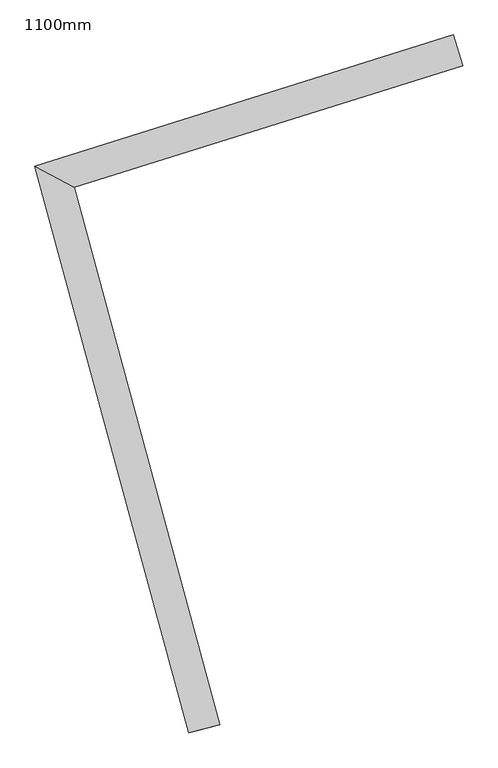
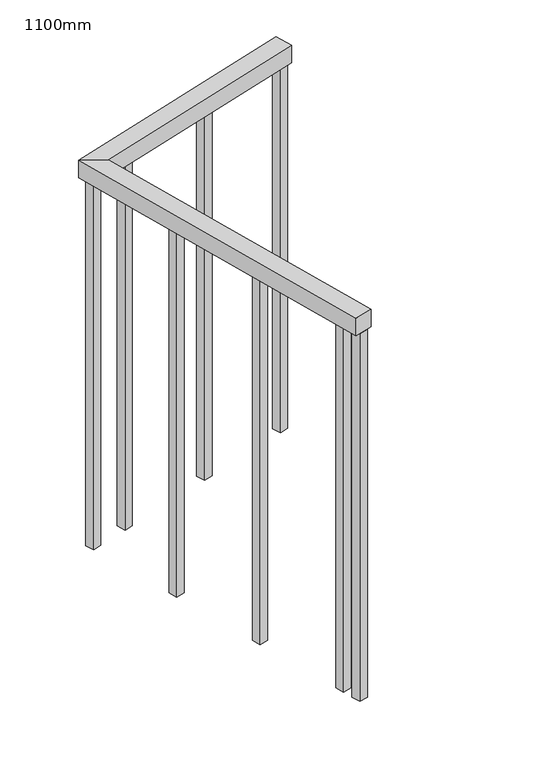
"""IFC4 building model written with IfcOpenShell, lengths in millimetres: railing geometry, 1100mm."""

from ifc_helpers import new_model, si_unit, frame, origin, place, context, project, spatial, polyline, outline, extrude, faceted_brep, source, transform, mapped, element, save


def railing_1100mm_933f9309(model_context):
    return source(origin(), model_context, "Body", "SolidModel", [
        faceted_brep([(229550.5307396, 48327.6151429, 1700.0), (229550.5307396, 48327.6151429, 1650.0), (229535.5688456, 48375.32407, 1650.0), (229535.5688456, 48375.32407, 1700.0), (228884.3251525, 48171.0889367, 1700.0), (228945.1936283, 48137.7766739, 1700.0), (228884.3251525, 48171.0889367, 1650.0), (228945.1936283, 48137.7766739, 1650.0), (229172.4903172, 47301.5272142, 1700.0), (229124.2408465, 47288.4127724, 1700.0), (229124.2408465, 47288.4127724, 1650.0), (229172.4903172, 47301.5272142, 1650.0)], [[[0, 1, 2, 3]], [[0, 3, 4, 5]], [[3, 2, 6, 4]], [[2, 1, 7, 6]], [[1, 0, 5, 7]], [[8, 9, 10, 11]], [[5, 4, 9, 8]], [[4, 6, 10, 9]], [[6, 7, 11, 10]], [[7, 5, 8, 11]]]),
        extrude(outline(polyline([(229139.9314381, 47373.6575182), (229146.4886591, 47349.5327829), (229122.3639237, 47342.9755619), (229115.8067028, 47367.1002973), (229139.9314381, 47373.6575182)])), frame((0.0, 0.0, 600.0), z_axis=(0.0, 0.0, 1.0), x_axis=(1.0, 0.0, 0.0)), (0.0, 0.0, 1.0), 1050.0),
        extrude(outline(polyline([(229067.8020079, 47639.0296066), (229074.3592289, 47614.9048713), (229050.2344936, 47608.3476503), (229043.6772726, 47632.4723857), (229067.8020079, 47639.0296066)])), frame((0.0, 0.0, 600.0), z_axis=(0.0, 0.0, 1.0), x_axis=(1.0, 0.0, 0.0)), (0.0, 0.0, 1.0), 1050.0),
        extrude(outline(polyline([(228995.6725778, 47904.401695), (229002.2297987, 47880.2769597), (228978.1050634, 47873.7197387), (228971.5478424, 47897.844474), (228995.6725778, 47904.401695)])), frame((0.0, 0.0, 600.0), z_axis=(0.0, 0.0, 1.0), x_axis=(1.0, 0.0, 0.0)), (0.0, 0.0, 1.0), 1050.0),
        extrude(outline(polyline([(229033.9192994, 48178.7020143), (229010.0648359, 48171.2210673), (229002.5838889, 48195.0755309), (229026.4383524, 48202.5564779), (229033.9192994, 48178.7020143)])), frame((0.0, 0.0, 600.0), z_axis=(0.0, 0.0, 1.0), x_axis=(1.0, 0.0, 0.0)), (0.0, 0.0, 1.0), 1050.0),
        extrude(outline(polyline([(229296.3183987, 48260.9924312), (229272.4639351, 48253.5114842), (229264.9829881, 48277.3659478), (229288.8374517, 48284.8468948), (229296.3183987, 48260.9924312)])), frame((0.0, 0.0, 600.0), z_axis=(0.0, 0.0, 1.0), x_axis=(1.0, 0.0, 0.0)), (0.0, 0.0, 1.0), 1050.0),
        extrude(outline(polyline([(228930.4270957, 48146.246047), (228906.5726321, 48138.7651), (228899.0916851, 48162.6195635), (228922.9461487, 48170.1005105), (228930.4270957, 48146.246047)])), frame((0.0, 0.0, 600.0), z_axis=(0.0, 0.0, 1.0), x_axis=(1.0, 0.0, 0.0)), (0.0, 0.0, 1.0), 1050.0),
        extrude(outline(polyline([(229153.8707286, 47322.3733391), (229160.4279495, 47298.2486038), (229136.3032142, 47291.6913828), (229129.7459933, 47315.8161181), (229153.8707286, 47322.3733391)])), frame((0.0, 0.0, 600.0), z_axis=(0.0, 0.0, 1.0), x_axis=(1.0, 0.0, 0.0)), (0.0, 0.0, 1.0), 1050.0),
        extrude(outline(polyline([(229546.7902661, 48339.5423746), (229522.9358026, 48332.0614277), (229515.4548556, 48355.9158912), (229539.3093191, 48363.3968382), (229546.7902661, 48339.5423746)])), frame((0.0, 0.0, 600.0), z_axis=(0.0, 0.0, 1.0), x_axis=(1.0, 0.0, 0.0)), (0.0, 0.0, 1.0), 1050.0),
    ])


if __name__ == "__main__":
    model = new_model("IFC4")
    model_context = context("Model", 3, world=origin())
    ifc_project = project(units=[si_unit("LENGTHUNIT", "METRE", prefix="MILLI")], contexts=[model_context])
    site = spatial("IfcSite", under=ifc_project)
    building = spatial("IfcBuilding", under=site)
    placement = place(None, origin())
    railing_1100mm_shape = railing_1100mm_933f9309(model_context)
    element("IfcRailing", 1, ObjectType="1100mm", at=placement, inside=building, context=model_context, shape_type="MappedRepresentation", body=[
        mapped(railing_1100mm_shape, transform((0.0, 0.0, 0.0), x_axis=(1.0, 0.0, 0.0), y_axis=(0.0, 1.0, 0.0), z_axis=(0.0, 0.0, 1.0))),
    ])
    save(model, "model.ifc")
